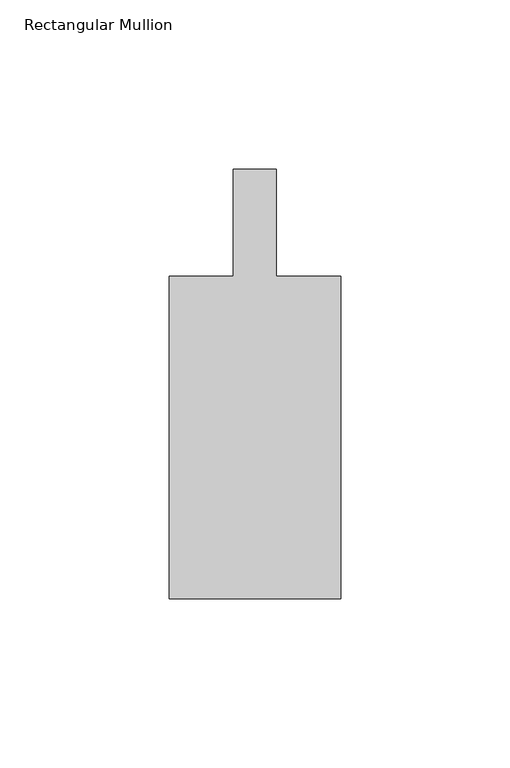
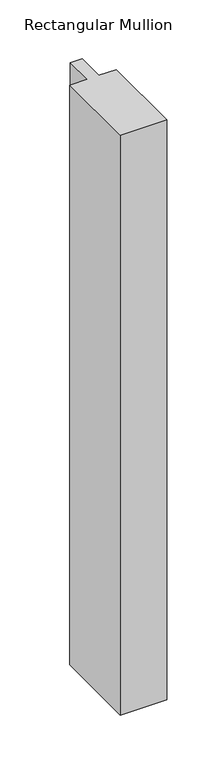
"""IFC4 building model written with IfcOpenShell, lengths in millimetres: member geometry, Rectangular Mullion."""

from ifc_helpers import new_model, si_unit, frame, origin, place, context, project, spatial, polyline, outline, extrude, source, transform, mapped, element, save


def rectangular_mullion_8dbd020e(model_context):
    return source(origin(), model_context, "Body", "SweptSolid", [
        extrude(outline(polyline([(25.4, -152.4), (-25.4, -152.4), (-25.4, -57.15), (-6.35, -57.15), (-6.35, -25.4), (6.35, -25.4), (6.35, -57.15), (25.4, -57.15), (25.4, -152.4)])), frame((0.0, 0.0, -668.8666667), z_axis=(0.0, 0.0, 1.0), x_axis=(1.0, 0.0, 0.0)), (0.0, 0.0, 1.0), 668.8666667),
    ])


if __name__ == "__main__":
    model = new_model("IFC4")
    model_context = context("Model", 3, world=origin())
    ifc_project = project(units=[si_unit("LENGTHUNIT", "METRE", prefix="MILLI")], contexts=[model_context])
    site = spatial("IfcSite", under=ifc_project)
    building = spatial("IfcBuilding", under=site)
    placement = place(None, origin())
    rectangular_mullion_shape = rectangular_mullion_8dbd020e(model_context)
    element("IfcMember", 1, ObjectType="Rectangular Mullion", at=placement, inside=building, context=model_context, shape_type="MappedRepresentation", body=[
        mapped(rectangular_mullion_shape, transform((0.0, 0.0, 0.0), x_axis=(1.0, 0.0, 0.0), y_axis=(0.0, 1.0, 0.0), z_axis=(0.0, 0.0, 1.0))),
    ])
    save(model, "model.ifc")
